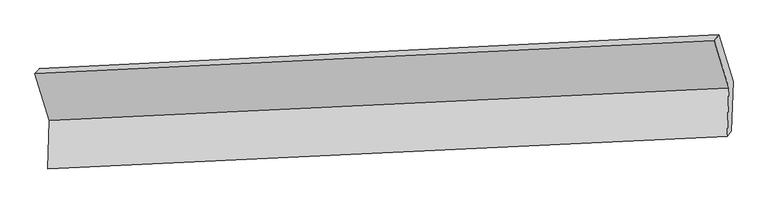
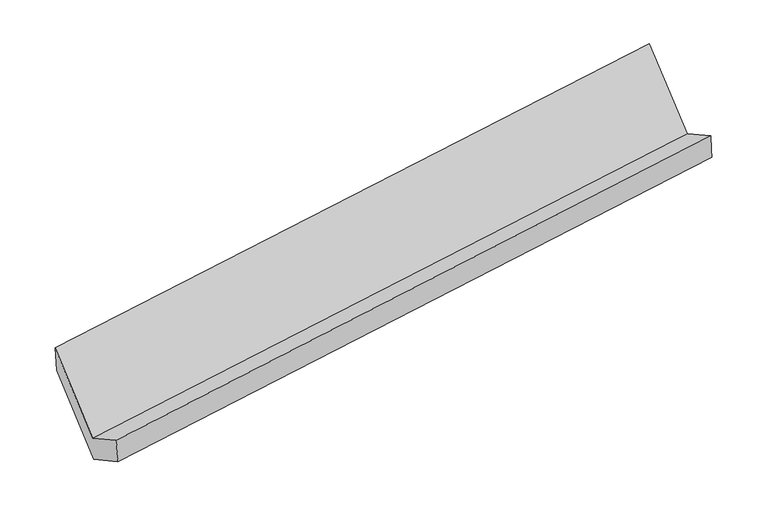
"""IFC4 building model written with IfcOpenShell, lengths in millimetres: proxy geometry."""

from ifc_helpers import new_model, si_unit, frame, origin, place, context, project, spatial, source, transform, mapped, element, save
from ifc_brep_helpers import plane_surface, spline_surface, advanced_brep


def generic_models_88bbdaf9(model_context):
    return source(origin(), model_context, "Body", "AdvancedBrep", [
        advanced_brep(
        [(-5212.0596366, -1636.3435324, 1428.6026656), (-5223.8853486, -1974.7628459, 1620.6109661), (-475.5600864, -1745.5713626, 2317.0139397), (-463.7343744, -1407.1520492, 2125.0056392), (-5195.1670914, -1945.9904305, 1417.6881298), (-446.5380407, -1708.1053575, 2109.1586385), (-5183.0375909, -1598.8775273, 1220.7473645), (-434.4085403, -1360.9924543, 1912.2178732), (-5283.4296921, -1273.2069144, 1788.5666561), (-534.8006415, -1035.3218414, 2480.0371648), (-5313.9676907, -1305.7551891, 2004.9962102), (-565.6424285, -1076.5637058, 2701.3991838)],
        [
            (0, 1),
            (1, 2),
            (2, 3),
            (3, 0),
            (1, 4),
            (4, 5),
            (5, 2),
            (4, 6),
            (6, 7),
            (7, 5),
            (6, 8),
            (8, 9),
            (9, 7),
            (8, 10),
            (10, 11),
            (11, 9),
            (10, 0),
            (3, 11),
        ],
        [
            plane_surface(frame((-5217.9724926, -1805.5531891, 1524.6068159), z_axis=(-0.14953864075134587, 0.4918733962379454, 0.8577288365186222), x_axis=(-0.030378847860104675, -0.869358973269759, 0.49324649131853254))),
            spline_surface(1, 1, [[(-5223.8853486, -1974.7628459, 1620.6109661), (-475.5600864, -1745.5713626, 2317.0139397)], [(-5195.1670914, -1945.9904305, 1417.6881298), (-446.5380407, -1708.1053575, 2109.1586385)]], [2, 2], [2, 2], [0.0, 1.0], [0.0, 1.0]),
            plane_surface(frame((-5189.1023412, -1772.4339789, 1319.2177472), z_axis=(0.14953864075134593, -0.49187339623794496, -0.8577288365186226), x_axis=(0.03037884786010475, 0.8693589732697593, -0.49324649131853204))),
            plane_surface(frame((-5233.2336415, -1436.0422208, 1504.6570103), z_axis=(0.028322466295991604, 0.8692556742308319, -0.49355081878203233), x_axis=(-0.15159528486970564, 0.49177304540485245, 0.8574252978647818))),
            spline_surface(1, 1, [[(-5283.4296921, -1273.2069144, 1788.5666561), (-534.8006415, -1035.3218414, 2480.0371648)], [(-5313.9676907, -1305.7551891, 2004.9962102), (-565.6424285, -1076.5637058, 2701.3991838)]], [2, 2], [2, 2], [0.0, 1.0], [0.0, 1.0]),
            plane_surface(frame((-5263.0136637, -1471.0493607, 1716.7994379), z_axis=(-0.030378847860101435, -0.8693589732697651, 0.4932464913185222), x_axis=(0.1515952848697061, -0.49177304540485234, -0.8574252978647818))),
            plane_surface(frame((-486.7806853, -1388.9511285, 2274.1387399), z_axis=(0.9879757057782166, 0.04872624968716967, 0.14673021973492276), x_axis=(-0.13570339251741237, -0.18146357438087343, 0.9739895073522006))),
            plane_surface(frame((-5235.2578417, -1622.4894066, 1580.2019987), z_axis=(-0.9879757057782159, -0.04872624968717287, -0.14673021973492525), x_axis=(-0.15159528486970947, 0.4917730454048632, 0.857425297864775))),
        ],
        [
            (0, [[1, 2, 3, 4]]),
            (1, [[5, 6, 7, -2]]),
            (2, [[8, 9, 10, -6]]),
            (3, [[11, 12, 13, -9]]),
            (4, [[14, 15, 16, -12]]),
            (5, [[17, -4, 18, -15]]),
            (6, [[-16, -18, -3, -7, -10, -13]]),
            (7, [[-17, -14, -11, -8, -5, -1]]),
        ],
    ),
    ])


if __name__ == "__main__":
    model = new_model("IFC4")
    model_context = context("Model", 3, world=origin())
    ifc_project = project(units=[si_unit("LENGTHUNIT", "METRE", prefix="MILLI")], contexts=[model_context])
    site = spatial("IfcSite", under=ifc_project)
    building = spatial("IfcBuilding", under=site)
    placement = place(None, origin())
    generic_models_shape = generic_models_88bbdaf9(model_context)
    element("IfcBuildingElementProxy", 1, Name="Generic Models", at=placement, inside=building, context=model_context, shape_type="MappedRepresentation", body=[
        mapped(generic_models_shape, transform((0.0, 0.0, 0.0), x_axis=(1.0, 0.0, 0.0), y_axis=(0.0, 1.0, 0.0), z_axis=(0.0, 0.0, 1.0))),
    ])
    save(model, "model.ifc")
